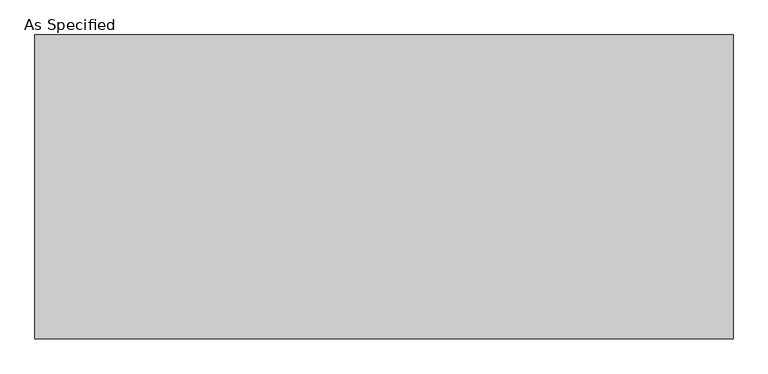
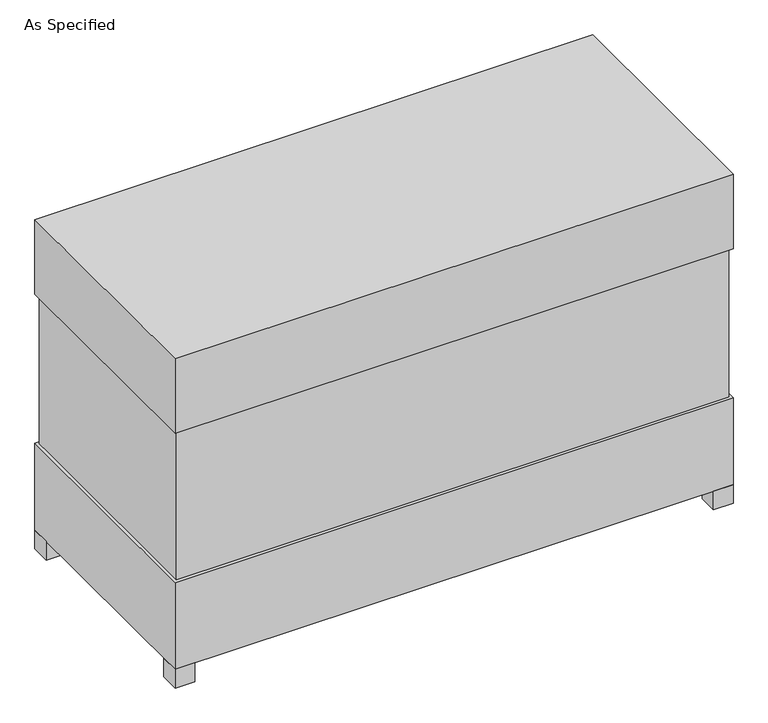
"""IFC4 building model written with IfcOpenShell, lengths in millimetres: proxy geometry, As Specified."""

from ifc_helpers import new_model, si_unit, frame, origin, origin_with_axes, place, context, project, spatial, polyline, outline, extrude, source, transform, mapped, element, save


def as_specified_a6b377ac(model_context):
    return source(origin(), model_context, "Body", "SweptSolid", [
        extrude(outline(polyline([(1068.3875, 458.7875), (1068.3875, -458.7875), (-1068.3875, -458.7875), (-1068.3875, 458.7875), (1068.3875, 458.7875)])), frame((0.0, 0.0, 431.8), z_axis=(0.0, 0.0, 1.0), x_axis=(1.0, 0.0, 0.0)), (0.0, 0.0, 1.0), 609.6),
        extrude(outline(polyline([(1079.5, 469.9), (1079.5, -469.9), (-1079.5, -469.9), (-1079.5, 469.9), (1079.5, 469.9)])), frame((0.0, 0.0, 1041.4), z_axis=(0.0, 0.0, 1.0), x_axis=(1.0, 0.0, 0.0)), (0.0, 0.0, 1.0), 304.8),
        extrude(outline(polyline([(965.2, 254.0), (965.2, 177.8), (889.0, 177.8), (889.0, 254.0), (965.2, 254.0)])), frame((0.0, 0.0, 50.8), z_axis=(0.0, 0.0, 1.0), x_axis=(1.0, 0.0, 0.0)), (0.0, 0.0, 1.0), 25.4),
        extrude(outline(polyline([(965.2, -177.8), (965.2, -254.0), (889.0, -254.0), (889.0, -177.8), (965.2, -177.8)])), frame((0.0, 0.0, 50.8), z_axis=(0.0, 0.0, 1.0), x_axis=(1.0, 0.0, 0.0)), (0.0, 0.0, 1.0), 25.4),
        extrude(outline(polyline([(-1003.3, 469.9), (-1003.3, 393.7), (-1079.5, 393.7), (-1079.5, 469.9), (-1003.3, 469.9)])), origin_with_axes(), (0.0, 0.0, 1.0), 76.2),
        extrude(outline(polyline([(1079.5, 469.9), (1079.5, 393.7), (1003.3, 393.7), (1003.3, 469.9), (1079.5, 469.9)])), origin_with_axes(), (0.0, 0.0, 1.0), 76.2),
        extrude(outline(polyline([(1079.5, -393.7), (1079.5, -469.9), (1003.3, -469.9), (1003.3, -393.7), (1079.5, -393.7)])), origin_with_axes(), (0.0, 0.0, 1.0), 76.2),
        extrude(outline(polyline([(-1003.3, -393.7), (-1003.3, -469.9), (-1079.5, -469.9), (-1079.5, -393.7), (-1003.3, -393.7)])), origin_with_axes(), (0.0, 0.0, 1.0), 76.2),
        extrude(outline(polyline([(1079.5, 469.9), (1079.5, -469.9), (-1079.5, -469.9), (-1079.5, 469.9), (1079.5, 469.9)])), frame((0.0, 0.0, 76.2), z_axis=(0.0, 0.0, 1.0), x_axis=(1.0, 0.0, 0.0)), (0.0, 0.0, 1.0), 355.6),
    ])


if __name__ == "__main__":
    model = new_model("IFC4")
    model_context = context("Model", 3, world=origin())
    ifc_project = project(units=[si_unit("LENGTHUNIT", "METRE", prefix="MILLI")], contexts=[model_context])
    site = spatial("IfcSite", under=ifc_project)
    building = spatial("IfcBuilding", under=site)
    placement = place(None, origin())
    as_specified_shape = as_specified_a6b377ac(model_context)
    element("IfcBuildingElementProxy", 1, Name="As Specified", ObjectType="As Specified", at=placement, inside=building, context=model_context, shape_type="MappedRepresentation", body=[
        mapped(as_specified_shape, transform((0.0, 0.0, 0.0), x_axis=(1.0, 0.0, 0.0), y_axis=(0.0, 1.0, 0.0), z_axis=(0.0, 0.0, 1.0))),
    ])
    save(model, "model.ifc")
